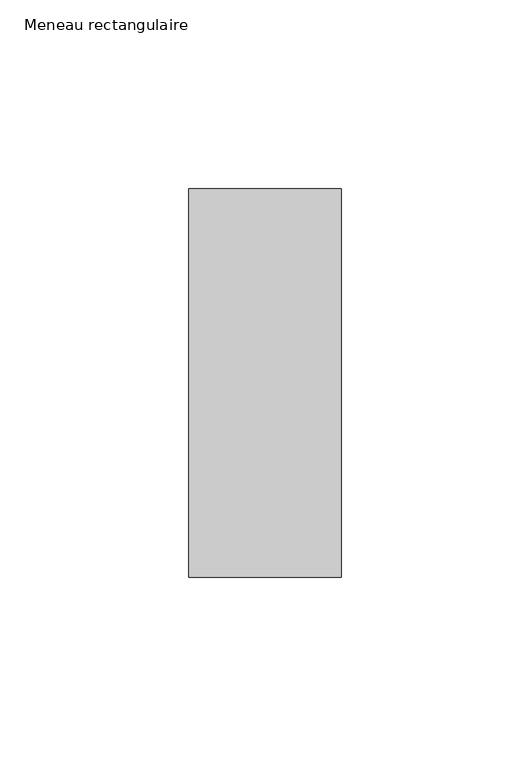
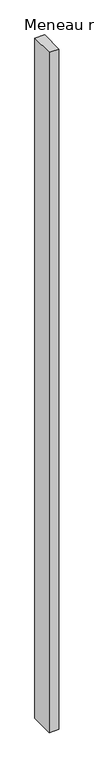
"""IFC4 building model written with IfcOpenShell, lengths in millimetres: member geometry, Meneau rectangulaire."""

from ifc_helpers import new_model, si_unit, frame, origin, place, context, project, spatial, polyline, outline, extrude, source, transform, mapped, element, save


def meneau_rectangulaire_b2bc850f(model_context):
    return source(origin(), model_context, "Body", "SweptSolid", [
        extrude(outline(polyline([(0.0, -51.4913803), (-40.4444905, -51.4913803), (-40.4444905, 51.5), (0.0, 51.5), (0.0, -51.4913803)])), frame((0.0, 0.0, -3000.0), z_axis=(0.0, 0.0, 1.0), x_axis=(1.0, 0.0, 0.0)), (0.0, 0.0, 1.0), 3000.0),
    ])


if __name__ == "__main__":
    model = new_model("IFC4")
    model_context = context("Model", 3, world=origin())
    ifc_project = project(units=[si_unit("LENGTHUNIT", "METRE", prefix="MILLI")], contexts=[model_context])
    site = spatial("IfcSite", under=ifc_project)
    building = spatial("IfcBuilding", under=site)
    placement = place(None, origin())
    meneau_rectangulaire_shape = meneau_rectangulaire_b2bc850f(model_context)
    element("IfcMember", 1, ObjectType="Meneau rectangulaire", at=placement, inside=building, context=model_context, shape_type="MappedRepresentation", body=[
        mapped(meneau_rectangulaire_shape, transform((0.0, 0.0, 0.0), x_axis=(1.0, 0.0, 0.0), y_axis=(0.0, 1.0, 0.0), z_axis=(0.0, 0.0, 1.0))),
    ])
    save(model, "model.ifc")
